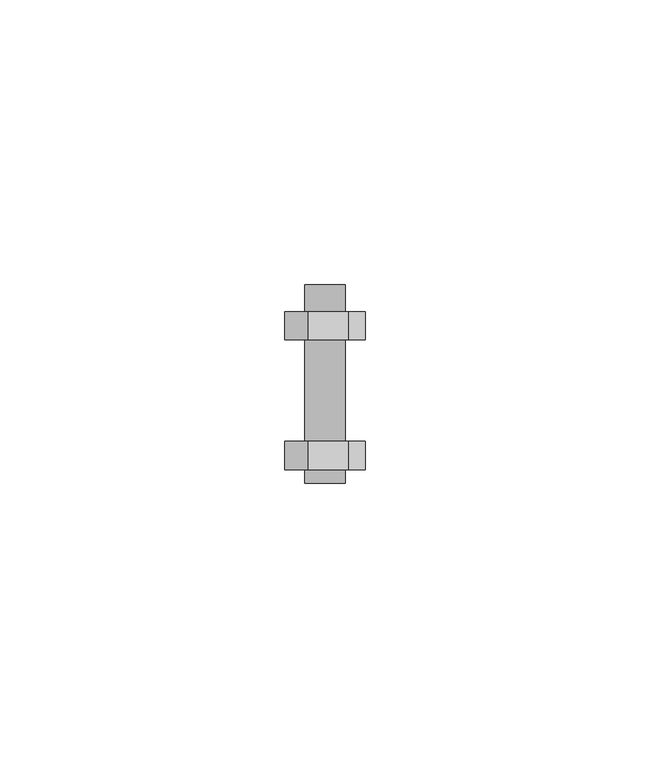
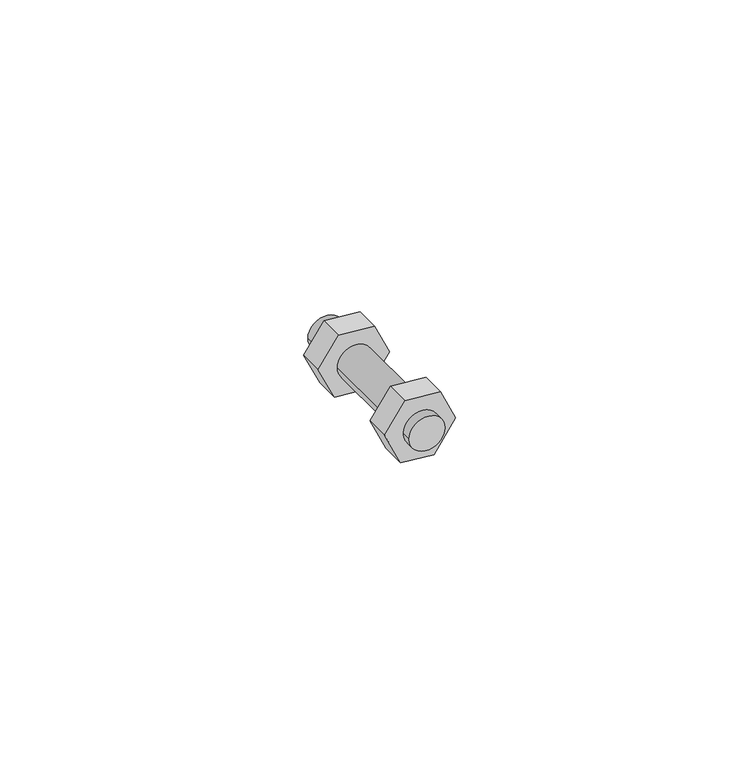
"""IFC4 building model written with IfcOpenShell, lengths in millimetres: fastener geometry."""

import ifcopenshell
import ifcopenshell.guid

model = None  # the IFC model being written
_history = None  # IfcOwnerHistory: only IFC2X3 demands one
_inside = {}  # id of a spatial element -> (the spatial element, [elements in it])
_under = {}  # id of a project, library or spatial element -> (it, [spatial elements below it])
_declared = {}  # id of a project -> (the project, [libraries it declares])
_typed = {}  # id of a type object -> (the type object, [elements of that type])
_made_of = {}  # id of a material, layer set ... -> (it, [elements and type objects made of it])


def new_model(schema):
    """Start an empty IFC model of exactly this schema.

    Asked for "IFC4X3", IfcOpenShell would pick the latest addendum, in which some entities
    have other attributes; the version numbers below select the first issue.
    IFC2X3 requires an IfcOwnerHistory on every rooted entity: one is made here for all.
    """
    global model, _history
    if schema == "IFC4X3":
        model = ifcopenshell.file(schema_version=(4, 3, 0, 0))
    else:
        model = ifcopenshell.file(schema=schema)
    _inside.clear()
    _under.clear()
    _declared.clear()
    _typed.clear()
    _made_of.clear()
    _history = None
    if model.schema == "IFC2X3":
        org = make("IfcOrganization", Name="unknown")
        user = make(
            "IfcPersonAndOrganization",
            ThePerson=make("IfcPerson", FamilyName="unknown"),
            TheOrganization=org,
        )
        app = make(
            "IfcApplication",
            ApplicationDeveloper=org,
            Version="unknown",
            ApplicationFullName="unknown",
            ApplicationIdentifier="unknown",
        )
        _history = make(
            "IfcOwnerHistory",
            OwningUser=user,
            OwningApplication=app,
            ChangeAction="ADDED",
            CreationDate=0,
        )
    return model


def make(cls, **values):
    """One entity of the class cls with the attributes given. An attribute that is None is left unset."""
    return model.create_entity(
        cls, **{name: value for name, value in values.items() if value is not None}
    )


def rooted(cls, **values):
    """An entity with a GlobalId (a new one), such as an element, a storey or a relation."""
    return make(cls, GlobalId=ifcopenshell.guid.new(), OwnerHistory=_history, **values)


def si_unit(unit_type, name, prefix=None):
    """IfcSIUnit, for example si_unit("LENGTHUNIT", "METRE", prefix="MILLI")."""
    return make("IfcSIUnit", UnitType=unit_type, Prefix=prefix, Name=name)


def assignment(units):
    """IfcUnitAssignment: the units of a project."""
    return None if units is None else make("IfcUnitAssignment", Units=units)


def point(xyz):
    """IfcCartesianPoint."""
    return None if xyz is None else make("IfcCartesianPoint", Coordinates=xyz)


def direction(xyz):
    """IfcDirection."""
    return None if xyz is None else make("IfcDirection", DirectionRatios=xyz)


def frame(location, z_axis=None, x_axis=None):
    """IfcAxis2Placement3D, a coordinate frame: its origin and axes. An axis left out is left unset."""
    return make(
        "IfcAxis2Placement3D",
        Location=point(location),
        Axis=direction(z_axis),
        RefDirection=direction(x_axis),
    )


def frame_2d(location, x_axis=None):
    """IfcAxis2Placement2D, a coordinate frame in the plane: its origin and x axis."""
    return make(
        "IfcAxis2Placement2D", Location=point(location), RefDirection=direction(x_axis)
    )


def origin():
    """The frame at (0, 0, 0) with its axes left unset."""
    return frame((0.0, 0.0, 0.0))


def place(relative_to, where):
    """IfcLocalPlacement: puts the frame where relative to a parent placement (None: the world)."""
    return make(
        "IfcLocalPlacement", PlacementRelTo=relative_to, RelativePlacement=where
    )


def context(
    kind, dimensions, precision=None, world=None, true_north=None, identifier=None
):
    """IfcGeometricRepresentationContext, for example the 3D "Model" context."""
    return make(
        "IfcGeometricRepresentationContext",
        ContextIdentifier=identifier,
        ContextType=kind,
        CoordinateSpaceDimension=dimensions,
        Precision=precision,
        WorldCoordinateSystem=world,
        TrueNorth=true_north,
    )


def project(units=None, contexts=None):
    """IfcProject with its units and contexts."""
    return rooted(
        "IfcProject",
        Name="project",
        RepresentationContexts=contexts,
        UnitsInContext=assignment(units),
    )


def spatial(cls, under=None, at=None, **own):
    """A site, building, storey or space (cls), placed at a placement, below another one or the project."""
    s = rooted(cls, ObjectPlacement=at, **own)
    if under is not None:
        _under.setdefault(under.id(), (under, []))[1].append(s)
    return s


def polyline(points):
    """IfcPolyline through the points."""
    return make("IfcPolyline", Points=[point(p) for p in points])


def circle_curve(where, radius):
    """IfcCircle in the frame where."""
    return make("IfcCircle", Position=where, Radius=radius)


def trimmed(basis, trim1, trim2, sense, master):
    """IfcTrimmedCurve: the piece of a basis curve between two trims."""
    return make(
        "IfcTrimmedCurve",
        BasisCurve=basis,
        Trim1=trim1,
        Trim2=trim2,
        SenseAgreement=sense,
        MasterRepresentation=master,
    )


def segment(curve, same_sense, transition):
    """IfcCompositeCurveSegment."""
    return make(
        "IfcCompositeCurveSegment",
        Transition=transition,
        SameSense=same_sense,
        ParentCurve=curve,
    )


def composite_curve(segments, self_intersect=None):
    """IfcCompositeCurve: segments joined end to end."""
    return make("IfcCompositeCurve", Segments=segments, SelfIntersect=self_intersect)


def outline(outer, holes=None, kind="AREA"):
    """IfcArbitraryClosedProfileDef: a profile drawn as a closed curve; with holes, ...WithVoids."""
    if holes is None:
        return make("IfcArbitraryClosedProfileDef", ProfileType=kind, OuterCurve=outer)
    return make(
        "IfcArbitraryProfileDefWithVoids",
        ProfileType=kind,
        OuterCurve=outer,
        InnerCurves=holes,
    )


def extrude(swept, where, along, depth):
    """IfcExtrudedAreaSolid: the profile swept, set in the frame where, extruded along a direction by depth."""
    return make(
        "IfcExtrudedAreaSolid",
        SweptArea=swept,
        Position=where,
        ExtrudedDirection=direction(along),
        Depth=depth,
    )


def shape(context_of_items, identifier, shape_type, items):
    """IfcShapeRepresentation: the items that make up one representation, for example the "Body"."""
    return make(
        "IfcShapeRepresentation",
        ContextOfItems=context_of_items,
        RepresentationIdentifier=identifier,
        RepresentationType=shape_type,
        Items=items,
    )


def source(mapping_origin, context_of_items, identifier, shape_type, items):
    """IfcRepresentationMap: a shape defined once, which mapped items show again and again."""
    return make(
        "IfcRepresentationMap",
        MappingOrigin=mapping_origin,
        MappedRepresentation=shape(context_of_items, identifier, shape_type, items),
    )


def transform(
    local_origin,
    x_axis=None,
    y_axis=None,
    z_axis=None,
    scale=None,
    scale2=None,
    scale3=None,
    uniform=True,
):
    """IfcCartesianTransformationOperator3D, or its non-uniform kind. x_axis, y_axis, z_axis: its Axis1, 2, 3."""
    if uniform:
        return make(
            "IfcCartesianTransformationOperator3D",
            Axis1=direction(x_axis),
            Axis2=direction(y_axis),
            LocalOrigin=point(local_origin),
            Scale=scale,
            Axis3=direction(z_axis),
        )
    return make(
        "IfcCartesianTransformationOperator3DnonUniform",
        Axis1=direction(x_axis),
        Axis2=direction(y_axis),
        LocalOrigin=point(local_origin),
        Scale=scale,
        Axis3=direction(z_axis),
        Scale2=scale2,
        Scale3=scale3,
    )


def mapped(mapping_source, mapping_target):
    """IfcMappedItem: shows the shape of a source again, moved by a transform."""
    return make(
        "IfcMappedItem", MappingSource=mapping_source, MappingTarget=mapping_target
    )


def made_of(thing, what):
    """Note that an element or type object is made of a material, layer set ...; save() writes the relation."""
    if what is not None:
        _made_of.setdefault(what.id(), (what, []))[1].append(thing)
    return thing


def element(
    cls,
    number,
    at=None,
    inside=None,
    cuts=None,
    type_object=None,
    material=None,
    context=None,
    identifier="Body",
    shape_type=None,
    held_by="IfcProductDefinitionShape",
    body=None,
    shapes=None,
    **own,
):
    """One element of the class cls, such as IfcWall. Its Tag is "e" and its number.

    at: its placement. inside: the storey or other place that contains it. cuts: it is an
    opening in that element (IfcRelVoidsElement). A single representation is given by context,
    identifier, shape_type and body (its items); several are given by shapes. held_by: the class
    of the entity that holds the representations. save() writes the other relations.
    """
    e = rooted(cls, Tag="e%d" % number, ObjectPlacement=at, **own)
    if body is not None:
        shapes = [shape(context, identifier, shape_type, body)]
    if shapes is not None:
        e.Representation = make(held_by, Representations=shapes)
    if inside is not None:
        _inside.setdefault(inside.id(), (inside, []))[1].append(e)
    if cuts is not None:
        rooted(
            "IfcRelVoidsElement", RelatingBuildingElement=cuts, RelatedOpeningElement=e
        )
    if type_object is not None:
        _typed.setdefault(type_object.id(), (type_object, []))[1].append(e)
    return made_of(e, material)


def aggregate(whole, parts):
    """IfcRelAggregates: a whole, such as a stair, and the parts it consists of."""
    return rooted("IfcRelAggregates", RelatingObject=whole, RelatedObjects=parts)


def save(model, path):
    """Write the relations noted so far, then the file.

    IfcRelAggregates (storeys below a building ...), IfcRelContainedInSpatialStructure (elements
    in a storey), IfcRelDefinesByType, IfcRelAssociatesMaterial and IfcRelDeclares: one each for
    every whole, place, type object, material and project.
    """
    for whole, parts in _under.values():
        aggregate(whole, parts)
    for where, things in _inside.values():
        rooted(
            "IfcRelContainedInSpatialStructure",
            RelatedElements=things,
            RelatingStructure=where,
        )
    for kind, things in _typed.values():
        rooted("IfcRelDefinesByType", RelatedObjects=things, RelatingType=kind)
    for what, things in _made_of.values():
        rooted("IfcRelAssociatesMaterial", RelatedObjects=things, RelatingMaterial=what)
    for by, libraries in _declared.values():
        rooted("IfcRelDeclares", RelatingContext=by, RelatedDefinitions=libraries)
    model.write(path)


def fastener_7987a464(model_context):
    return source(origin(), model_context, "Body", "SweptSolid", [
        extrude(outline(polyline([(50.2132267, -4122.6763714), (49.6334598, -4116.0496056), (55.8779191, -4111.6771881), (62.3467617, -4114.693659), (62.9688426, -4121.8040764), (57.1220809, -4125.898023), (50.2132267, -4122.6763714)])), frame((0.0, -373.5640334, 0.0), z_axis=(0.0, 1.0, 0.0), x_axis=(0.0, 0.0, 1.0)), (0.0, 0.0, 1.0), 4.994876),
        extrude(outline(polyline([(50.2132267, -4122.6763714), (49.6334598, -4116.0496056), (55.8779191, -4111.6771881), (62.3467617, -4114.693659), (62.9688426, -4121.8040764), (57.1220809, -4125.898023), (50.2132267, -4122.6763714)])), frame((0.0, -396.3691574, 0.0), z_axis=(0.0, 1.0, 0.0), x_axis=(0.0, 0.0, 1.0)), (0.0, 0.0, 1.0), 5.0),
        extrude(outline(composite_curve([segment(trimmed(circle_curve(frame_2d((56.5, -4118.7876056)), 3.5454618), [point((56.5, -4115.2421438))], [point((56.5, -4122.3330674))], False, "CARTESIAN"), True, "CONTINUOUS"), segment(trimmed(circle_curve(frame_2d((56.5, -4118.7876056)), 3.5454618), [point((56.5, -4122.3330674))], [point((56.5, -4115.2421438))], False, "CARTESIAN"), True, "CONTINUOUS")], self_intersect=False)), frame((0.0, -398.7823741, 0.0), z_axis=(0.0, 1.0, 0.0), x_axis=(0.0, 0.0, 1.0)), (0.0, 0.0, 1.0), 34.9635271),
    ])


if __name__ == "__main__":
    model = new_model("IFC4")
    model_context = context("Model", 3, world=origin())
    ifc_project = project(units=[si_unit("LENGTHUNIT", "METRE", prefix="MILLI")], contexts=[model_context])
    site = spatial("IfcSite", under=ifc_project)
    building = spatial("IfcBuilding", under=site)
    placement = place(None, origin())
    fastener_shape = fastener_7987a464(model_context)
    element("IfcFastener", 1, at=placement, inside=building, context=model_context, shape_type="MappedRepresentation", body=[
        mapped(fastener_shape, transform((0.0, 0.0, 0.0), x_axis=(1.0, 0.0, 0.0), y_axis=(0.0, 1.0, 0.0), z_axis=(0.0, 0.0, 1.0))),
    ])
    save(model, "model.ifc")
